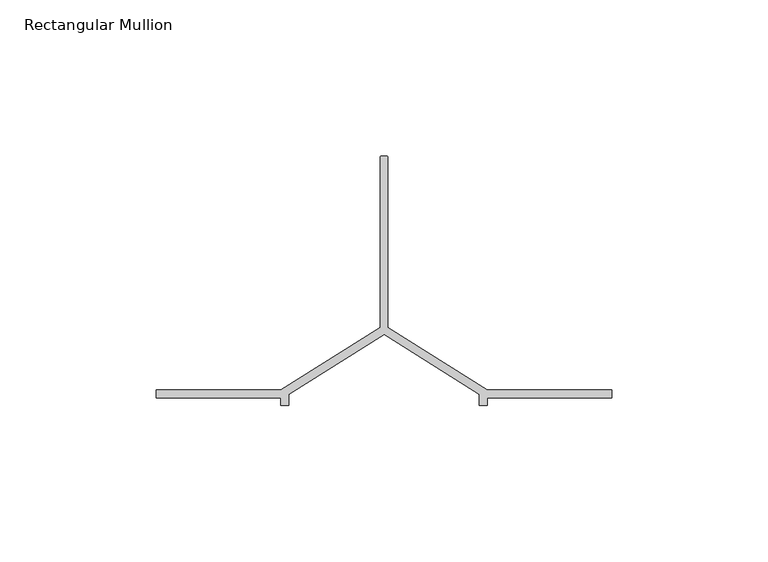
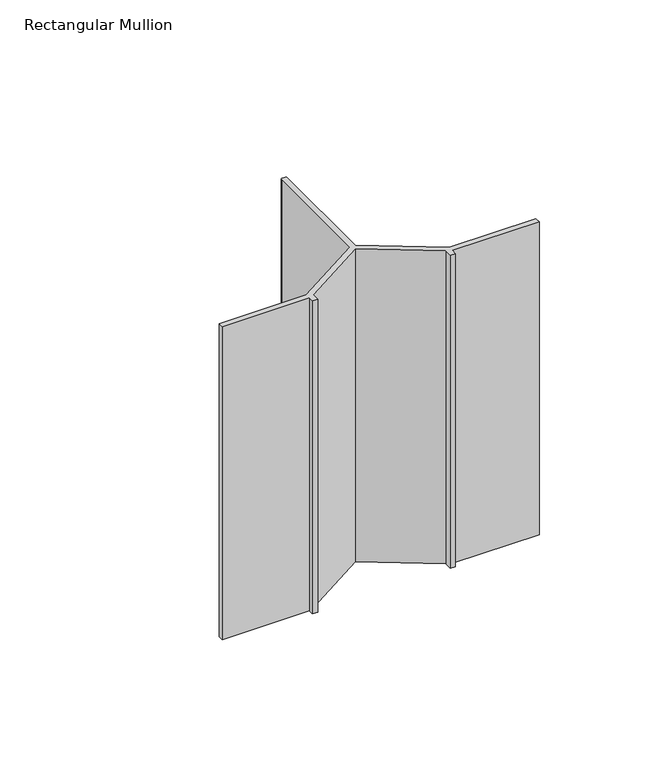
"""IFC4 building model written with IfcOpenShell, lengths in millimetres: member geometry, Rectangular Mullion."""

import ifcopenshell
import ifcopenshell.guid

model = None  # the IFC model being written
_history = None  # IfcOwnerHistory: only IFC2X3 demands one
_inside = {}  # id of a spatial element -> (the spatial element, [elements in it])
_under = {}  # id of a project, library or spatial element -> (it, [spatial elements below it])
_declared = {}  # id of a project -> (the project, [libraries it declares])
_typed = {}  # id of a type object -> (the type object, [elements of that type])
_made_of = {}  # id of a material, layer set ... -> (it, [elements and type objects made of it])


def new_model(schema):
    """Start an empty IFC model of exactly this schema.

    Asked for "IFC4X3", IfcOpenShell would pick the latest addendum, in which some entities
    have other attributes; the version numbers below select the first issue.
    IFC2X3 requires an IfcOwnerHistory on every rooted entity: one is made here for all.
    """
    global model, _history
    if schema == "IFC4X3":
        model = ifcopenshell.file(schema_version=(4, 3, 0, 0))
    else:
        model = ifcopenshell.file(schema=schema)
    _inside.clear()
    _under.clear()
    _declared.clear()
    _typed.clear()
    _made_of.clear()
    _history = None
    if model.schema == "IFC2X3":
        org = make("IfcOrganization", Name="unknown")
        user = make(
            "IfcPersonAndOrganization",
            ThePerson=make("IfcPerson", FamilyName="unknown"),
            TheOrganization=org,
        )
        app = make(
            "IfcApplication",
            ApplicationDeveloper=org,
            Version="unknown",
            ApplicationFullName="unknown",
            ApplicationIdentifier="unknown",
        )
        _history = make(
            "IfcOwnerHistory",
            OwningUser=user,
            OwningApplication=app,
            ChangeAction="ADDED",
            CreationDate=0,
        )
    return model


def make(cls, **values):
    """One entity of the class cls with the attributes given. An attribute that is None is left unset."""
    return model.create_entity(
        cls, **{name: value for name, value in values.items() if value is not None}
    )


def rooted(cls, **values):
    """An entity with a GlobalId (a new one), such as an element, a storey or a relation."""
    return make(cls, GlobalId=ifcopenshell.guid.new(), OwnerHistory=_history, **values)


def si_unit(unit_type, name, prefix=None):
    """IfcSIUnit, for example si_unit("LENGTHUNIT", "METRE", prefix="MILLI")."""
    return make("IfcSIUnit", UnitType=unit_type, Prefix=prefix, Name=name)


def assignment(units):
    """IfcUnitAssignment: the units of a project."""
    return None if units is None else make("IfcUnitAssignment", Units=units)


def point(xyz):
    """IfcCartesianPoint."""
    return None if xyz is None else make("IfcCartesianPoint", Coordinates=xyz)


def direction(xyz):
    """IfcDirection."""
    return None if xyz is None else make("IfcDirection", DirectionRatios=xyz)


def frame(location, z_axis=None, x_axis=None):
    """IfcAxis2Placement3D, a coordinate frame: its origin and axes. An axis left out is left unset."""
    return make(
        "IfcAxis2Placement3D",
        Location=point(location),
        Axis=direction(z_axis),
        RefDirection=direction(x_axis),
    )


def frame_2d(location, x_axis=None):
    """IfcAxis2Placement2D, a coordinate frame in the plane: its origin and x axis."""
    return make(
        "IfcAxis2Placement2D", Location=point(location), RefDirection=direction(x_axis)
    )


def origin():
    """The frame at (0, 0, 0) with its axes left unset."""
    return frame((0.0, 0.0, 0.0))


def place(relative_to, where):
    """IfcLocalPlacement: puts the frame where relative to a parent placement (None: the world)."""
    return make(
        "IfcLocalPlacement", PlacementRelTo=relative_to, RelativePlacement=where
    )


def context(
    kind, dimensions, precision=None, world=None, true_north=None, identifier=None
):
    """IfcGeometricRepresentationContext, for example the 3D "Model" context."""
    return make(
        "IfcGeometricRepresentationContext",
        ContextIdentifier=identifier,
        ContextType=kind,
        CoordinateSpaceDimension=dimensions,
        Precision=precision,
        WorldCoordinateSystem=world,
        TrueNorth=true_north,
    )


def project(units=None, contexts=None):
    """IfcProject with its units and contexts."""
    return rooted(
        "IfcProject",
        Name="project",
        RepresentationContexts=contexts,
        UnitsInContext=assignment(units),
    )


def spatial(cls, under=None, at=None, **own):
    """A site, building, storey or space (cls), placed at a placement, below another one or the project."""
    s = rooted(cls, ObjectPlacement=at, **own)
    if under is not None:
        _under.setdefault(under.id(), (under, []))[1].append(s)
    return s


def polyline(points):
    """IfcPolyline through the points."""
    return make("IfcPolyline", Points=[point(p) for p in points])


def circle_curve(where, radius):
    """IfcCircle in the frame where."""
    return make("IfcCircle", Position=where, Radius=radius)


def trimmed(basis, trim1, trim2, sense, master):
    """IfcTrimmedCurve: the piece of a basis curve between two trims."""
    return make(
        "IfcTrimmedCurve",
        BasisCurve=basis,
        Trim1=trim1,
        Trim2=trim2,
        SenseAgreement=sense,
        MasterRepresentation=master,
    )


def segment(curve, same_sense, transition):
    """IfcCompositeCurveSegment."""
    return make(
        "IfcCompositeCurveSegment",
        Transition=transition,
        SameSense=same_sense,
        ParentCurve=curve,
    )


def composite_curve(segments, self_intersect=None):
    """IfcCompositeCurve: segments joined end to end."""
    return make("IfcCompositeCurve", Segments=segments, SelfIntersect=self_intersect)


def outline(outer, holes=None, kind="AREA"):
    """IfcArbitraryClosedProfileDef: a profile drawn as a closed curve; with holes, ...WithVoids."""
    if holes is None:
        return make("IfcArbitraryClosedProfileDef", ProfileType=kind, OuterCurve=outer)
    return make(
        "IfcArbitraryProfileDefWithVoids",
        ProfileType=kind,
        OuterCurve=outer,
        InnerCurves=holes,
    )


def extrude(swept, where, along, depth):
    """IfcExtrudedAreaSolid: the profile swept, set in the frame where, extruded along a direction by depth."""
    return make(
        "IfcExtrudedAreaSolid",
        SweptArea=swept,
        Position=where,
        ExtrudedDirection=direction(along),
        Depth=depth,
    )


def shape(context_of_items, identifier, shape_type, items):
    """IfcShapeRepresentation: the items that make up one representation, for example the "Body"."""
    return make(
        "IfcShapeRepresentation",
        ContextOfItems=context_of_items,
        RepresentationIdentifier=identifier,
        RepresentationType=shape_type,
        Items=items,
    )


def source(mapping_origin, context_of_items, identifier, shape_type, items):
    """IfcRepresentationMap: a shape defined once, which mapped items show again and again."""
    return make(
        "IfcRepresentationMap",
        MappingOrigin=mapping_origin,
        MappedRepresentation=shape(context_of_items, identifier, shape_type, items),
    )


def transform(
    local_origin,
    x_axis=None,
    y_axis=None,
    z_axis=None,
    scale=None,
    scale2=None,
    scale3=None,
    uniform=True,
):
    """IfcCartesianTransformationOperator3D, or its non-uniform kind. x_axis, y_axis, z_axis: its Axis1, 2, 3."""
    if uniform:
        return make(
            "IfcCartesianTransformationOperator3D",
            Axis1=direction(x_axis),
            Axis2=direction(y_axis),
            LocalOrigin=point(local_origin),
            Scale=scale,
            Axis3=direction(z_axis),
        )
    return make(
        "IfcCartesianTransformationOperator3DnonUniform",
        Axis1=direction(x_axis),
        Axis2=direction(y_axis),
        LocalOrigin=point(local_origin),
        Scale=scale,
        Axis3=direction(z_axis),
        Scale2=scale2,
        Scale3=scale3,
    )


def mapped(mapping_source, mapping_target):
    """IfcMappedItem: shows the shape of a source again, moved by a transform."""
    return make(
        "IfcMappedItem", MappingSource=mapping_source, MappingTarget=mapping_target
    )


def made_of(thing, what):
    """Note that an element or type object is made of a material, layer set ...; save() writes the relation."""
    if what is not None:
        _made_of.setdefault(what.id(), (what, []))[1].append(thing)
    return thing


def element(
    cls,
    number,
    at=None,
    inside=None,
    cuts=None,
    type_object=None,
    material=None,
    context=None,
    identifier="Body",
    shape_type=None,
    held_by="IfcProductDefinitionShape",
    body=None,
    shapes=None,
    **own,
):
    """One element of the class cls, such as IfcWall. Its Tag is "e" and its number.

    at: its placement. inside: the storey or other place that contains it. cuts: it is an
    opening in that element (IfcRelVoidsElement). A single representation is given by context,
    identifier, shape_type and body (its items); several are given by shapes. held_by: the class
    of the entity that holds the representations. save() writes the other relations.
    """
    e = rooted(cls, Tag="e%d" % number, ObjectPlacement=at, **own)
    if body is not None:
        shapes = [shape(context, identifier, shape_type, body)]
    if shapes is not None:
        e.Representation = make(held_by, Representations=shapes)
    if inside is not None:
        _inside.setdefault(inside.id(), (inside, []))[1].append(e)
    if cuts is not None:
        rooted(
            "IfcRelVoidsElement", RelatingBuildingElement=cuts, RelatedOpeningElement=e
        )
    if type_object is not None:
        _typed.setdefault(type_object.id(), (type_object, []))[1].append(e)
    return made_of(e, material)


def aggregate(whole, parts):
    """IfcRelAggregates: a whole, such as a stair, and the parts it consists of."""
    return rooted("IfcRelAggregates", RelatingObject=whole, RelatedObjects=parts)


def save(model, path):
    """Write the relations noted so far, then the file.

    IfcRelAggregates (storeys below a building ...), IfcRelContainedInSpatialStructure (elements
    in a storey), IfcRelDefinesByType, IfcRelAssociatesMaterial and IfcRelDeclares: one each for
    every whole, place, type object, material and project.
    """
    for whole, parts in _under.values():
        aggregate(whole, parts)
    for where, things in _inside.values():
        rooted(
            "IfcRelContainedInSpatialStructure",
            RelatedElements=things,
            RelatingStructure=where,
        )
    for kind, things in _typed.values():
        rooted("IfcRelDefinesByType", RelatedObjects=things, RelatingType=kind)
    for what, things in _made_of.values():
        rooted("IfcRelAssociatesMaterial", RelatedObjects=things, RelatingMaterial=what)
    for by, libraries in _declared.values():
        rooted("IfcRelDeclares", RelatingContext=by, RelatedDefinitions=libraries)
    model.write(path)


def rectangular_mullion_af55fa28(model_context):
    return source(origin(), model_context, "Body", "SweptSolid", [
        extrude(outline(composite_curve([segment(polyline([(-73.75, -68.5), (-72.25, -68.5)]), True, "CONTINUOUS"), segment(trimmed(circle_curve(frame_2d((-72.25, -69.0)), 0.5), [point((-72.25, -68.5))], [point((-71.75, -69.0))], False, "CARTESIAN"), True, "CONTINUOUS"), segment(polyline([(-71.75, -69.0), (-71.75, -123.5), (-40.0, -143.5), (0.0, -143.5), (0.0, -146.0), (-40.0, -146.0), (-40.0, -148.5), (-42.5, -148.5), (-42.5, -144.879855), (-73.0, -125.6672566), (-103.5, -144.879855), (-103.5, -148.5), (-106.0, -148.5), (-106.0, -146.0), (-146.0, -146.0), (-146.0, -143.5), (-106.0, -143.5), (-74.25, -123.5), (-74.25, -69.0)]), True, "CONTINUOUS"), segment(trimmed(circle_curve(frame_2d((-73.75, -69.0)), 0.5), [point((-74.25, -69.0))], [point((-73.75, -68.5))], False, "CARTESIAN"), True, "CONTINUOUS")], self_intersect=False)), frame((0.0, 0.0, -152.5194954), z_axis=(0.0, 0.0, 1.0), x_axis=(1.0, 0.0, 0.0)), (0.0, 0.0, 1.0), 152.5194954),
    ])


if __name__ == "__main__":
    model = new_model("IFC4")
    model_context = context("Model", 3, world=origin())
    ifc_project = project(units=[si_unit("LENGTHUNIT", "METRE", prefix="MILLI")], contexts=[model_context])
    site = spatial("IfcSite", under=ifc_project)
    building = spatial("IfcBuilding", under=site)
    placement = place(None, origin())
    rectangular_mullion_shape = rectangular_mullion_af55fa28(model_context)
    element("IfcMember", 1, ObjectType="Rectangular Mullion", at=placement, inside=building, context=model_context, shape_type="MappedRepresentation", body=[
        mapped(rectangular_mullion_shape, transform((0.0, 0.0, 0.0), x_axis=(1.0, 0.0, 0.0), y_axis=(0.0, 1.0, 0.0), z_axis=(0.0, 0.0, 1.0))),
    ])
    save(model, "model.ifc")
